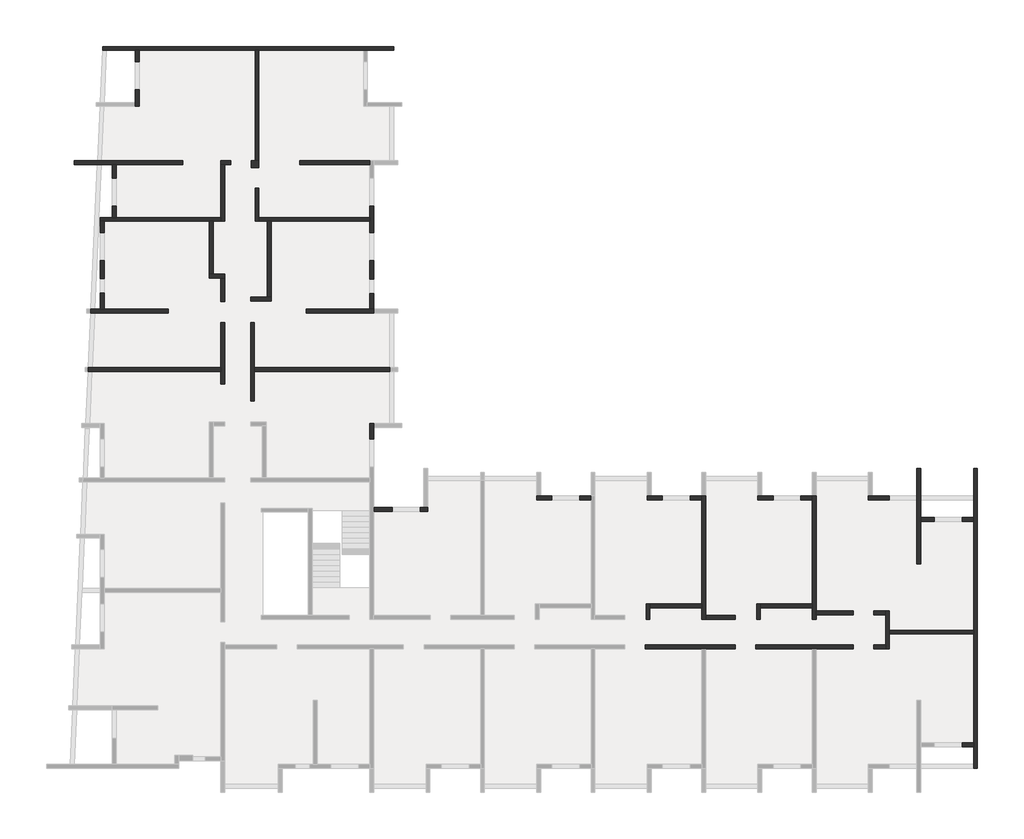
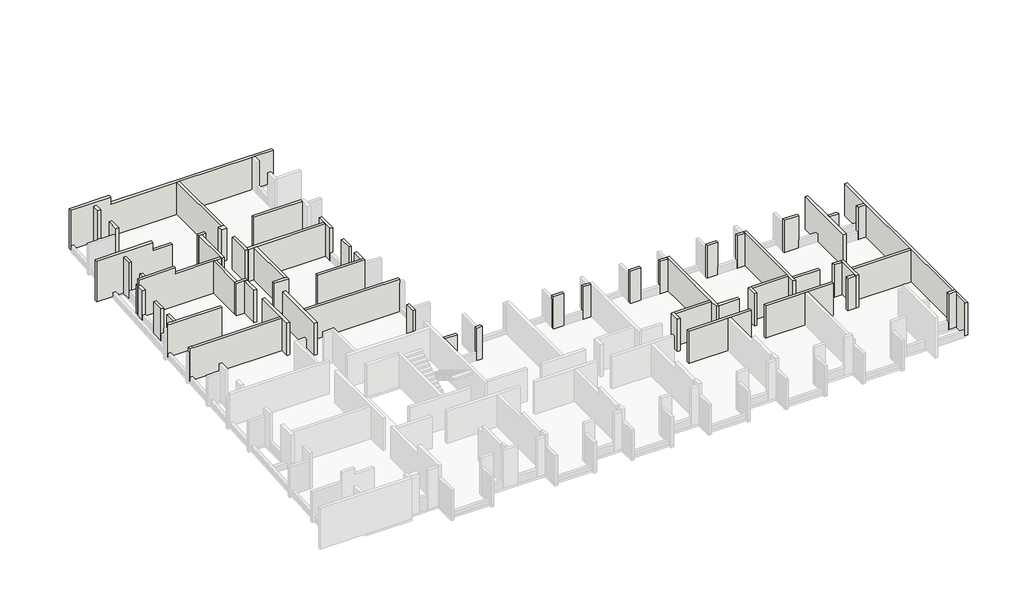
# One storey, part 2 of 4: 60 walls.
"""IFC4 building model written with IfcOpenShell, lengths in millimetres."""

from ifc_helpers import new_model, si_unit, frame, origin, place, context, project, spatial, polyline, outline, extrude, faceted_brep, element, save

model = new_model("IFC4")

# Units and contexts
model_context = context("Model", 3, world=origin())
ifc_project = project(units=[si_unit("LENGTHUNIT", "METRE", prefix="MILLI")], contexts=[model_context])

# Site, building, storey
site = spatial("IfcSite", under=ifc_project)
building = spatial("IfcBuilding", under=site)
storey = spatial("IfcBuildingStorey", under=building, Elevation=14820.0)

# Walls
placement = place(None, origin())
element("IfcWall", 1, ObjectType="MHA20", at=placement, inside=storey, context=model_context, shape_type="Brep", body=[
    faceted_brep([(-2535.6912908, -13279.0672499, 14820.0), (-2535.6912908, -12519.0672499, 14820.0), (-2535.6912908, -12319.0672499, 14820.0), (-2535.6912908, -11329.0672499, 14820.0), (-2535.6912908, -11329.0672499, 17350.0), (-2535.6912908, -12319.0672499, 17350.0), (-2535.6912908, -12519.0672499, 17350.0), (-2535.6912908, -13279.0672499, 17350.0), (-2735.6912908, -13279.0672499, 14820.0), (-2735.6912908, -13279.0672499, 17350.0), (-2735.6912908, -13079.0672499, 17350.0), (-2735.6912908, -11529.0672499, 17350.0), (-2735.6912908, -11329.0672499, 17350.0), (-2735.6912908, -11329.0672499, 14820.0), (-2735.6912908, -11529.0672499, 14820.0), (-2735.6912908, -13079.0672499, 14820.0)], [[[0, 1, 2, 3, 4, 5, 6, 7]], [[8, 9, 10, 11, 12, 13, 14, 15]], [[3, 2, 1, 0, 8, 15, 14, 13]], [[7, 6, 5, 4, 12, 11, 10, 9]], [[4, 3, 13, 12]], [[0, 7, 9, 8]]]),
])
element("IfcWall", 2, ObjectType="MHA20", at=placement, inside=storey, context=model_context, shape_type="SweptSolid", body=[
    extrude(outline(polyline([(1794.3087092, -12519.0672499), (-2535.6912908, -12519.0672499), (-2535.6912908, -12319.0672499), (1794.3087092, -12319.0672499), (1794.3087092, -12519.0672499)])), frame((0.0, 0.0, 14820.0), z_axis=(0.0, 0.0, 1.0), x_axis=(1.0, 0.0, 0.0)), (0.0, 0.0, 1.0), 2530.0),
])
element("IfcWall", 3, ObjectType="MHA20", at=placement, inside=storey, context=model_context, shape_type="Brep", body=[
    faceted_brep([(1994.3087092, -19419.0672499, 14820.0), (1994.3087092, -3999.0672499, 14820.0), (1994.3087092, -3999.0672499, 17350.0), (1994.3087092, -16419.0672499, 17350.0), (1994.3087092, -19319.0672499, 17350.0), (1994.3087092, -19419.0672499, 17350.0), (1794.3087092, -19419.0672499, 14820.0), (1794.3087092, -19419.0672499, 15140.0), (1794.3087092, -19419.0672499, 17200.0), (1794.3087092, -19419.0672499, 17350.0), (1794.3087092, -19319.0672499, 17350.0), (1794.3087092, -16419.0672499, 17350.0), (1794.3087092, -12519.0672499, 17350.0), (1794.3087092, -12319.0672499, 17350.0), (1794.3087092, -6719.0672499, 17350.0), (1794.3087092, -6519.0672499, 17350.0), (1794.3087092, -3999.0672499, 17350.0), (1794.3087092, -3999.0672499, 14820.0), (1794.3087092, -6519.0672499, 14820.0), (1794.3087092, -6719.0672499, 14820.0), (1794.3087092, -12319.0672499, 14820.0), (1794.3087092, -12519.0672499, 14820.0), (1794.3087092, -18119.0672499, 14820.0), (1794.3087092, -18319.0672499, 14820.0)], [[[0, 1, 2, 3, 4, 5]], [[6, 7, 8, 9, 10, 11, 12, 13, 14, 15, 16, 17, 18, 19, 20, 21, 22, 23]], [[1, 0, 6, 23, 22, 21, 20, 19, 18, 17]], [[2, 1, 17, 16]], [[5, 4, 3, 2, 16, 15, 14, 13, 12, 11, 10, 9]], [[0, 5, 9, 8, 7, 6]]]),
])
element("IfcWall", 4, ObjectType="MHA20", at=placement, inside=storey, context=model_context, shape_type="SweptSolid", body=[
    extrude(outline(polyline([(-2735.6912908, -11529.0672499), (-3335.6912908, -11529.0672499), (-3335.6912908, -11329.0672499), (-2735.6912908, -11329.0672499), (-2735.6912908, -11529.0672499)])), frame((0.0, 0.0, 14820.0), z_axis=(0.0, 0.0, 1.0), x_axis=(1.0, 0.0, 0.0)), (0.0, 0.0, 1.0), 2530.0),
])
element("IfcWall", 5, ObjectType="MHA20", at=placement, inside=storey, context=model_context, shape_type="SweptSolid", body=[
    extrude(outline(polyline([(-2735.6912908, -13279.0672499), (-3335.6912908, -13279.0672499), (-3335.6912908, -13079.0672499), (-2735.6912908, -13079.0672499), (-2735.6912908, -13279.0672499)])), frame((0.0, 0.0, 14820.0), z_axis=(0.0, 0.0, 1.0), x_axis=(1.0, 0.0, 0.0)), (0.0, 0.0, 1.0), 2530.0),
])
element("IfcWall", 6, ObjectType="MHA20", at=placement, inside=storey, context=model_context, shape_type="SweptSolid", body=[
    extrude(outline(polyline([(-6305.6912908, -11329.0672499), (-4395.6912908, -11329.0672499), (-4395.6912908, -11529.0672499), (-6305.6912908, -11529.0672499), (-6305.6912908, -11329.0672499)])), frame((0.0, 0.0, 14820.0), z_axis=(0.0, 0.0, 1.0), x_axis=(1.0, 0.0, 0.0)), (0.0, 0.0, 1.0), 2530.0),
])
element("IfcWall", 7, ObjectType="MHA20", at=placement, inside=storey, context=model_context, shape_type="Brep", body=[
    faceted_brep([(-4395.6912908, -13079.0672499, 14820.0), (-9410.6912908, -13079.0672499, 14820.0), (-9410.6912908, -13079.0672499, 17350.0), (-4395.6912908, -13079.0672499, 17350.0), (-4395.6912908, -13279.0672499, 14820.0), (-4395.6912908, -13279.0672499, 17350.0), (-6305.6912908, -13279.0672499, 17350.0), (-6505.6912908, -13279.0672499, 17350.0), (-9410.6912908, -13279.0672499, 17350.0), (-9410.6912908, -13279.0672499, 14820.0), (-6505.6912908, -13279.0672499, 14820.0), (-6305.6912908, -13279.0672499, 14820.0)], [[[0, 1, 2, 3]], [[4, 5, 6, 7, 8, 9, 10, 11]], [[1, 0, 4, 11, 10, 9]], [[2, 1, 9, 8]], [[3, 2, 8, 7, 6, 5]], [[0, 3, 5, 4]]]),
])
element("IfcWall", 8, ObjectType="MHA20", at=placement, inside=storey, context=model_context, shape_type="Brep", body=[
    faceted_brep([(-6305.6912908, -11759.0672499, 14820.0), (-6305.6912908, -11529.0672499, 14820.0), (-6305.6912908, -11329.0672499, 14820.0), (-6305.6912908, -5419.0672499, 14820.0), (-6305.6912908, -5419.0672499, 17050.0), (-6305.6912908, -5419.0672499, 17350.0), (-6305.6912908, -11329.0672499, 17350.0), (-6305.6912908, -11529.0672499, 17350.0), (-6305.6912908, -11759.0672499, 17350.0), (-6505.6912908, -11759.0672499, 14820.0), (-6505.6912908, -11759.0672499, 17350.0), (-6505.6912908, -11159.0672499, 17350.0), (-6505.6912908, -10959.0672499, 17350.0), (-6505.6912908, -5619.0672499, 17350.0), (-6505.6912908, -5419.0672499, 17350.0), (-6505.6912908, -5419.0672499, 17050.0), (-6505.6912908, -5419.0672499, 14820.0), (-6505.6912908, -5619.0672499, 14820.0), (-6505.6912908, -10959.0672499, 14820.0), (-6505.6912908, -11159.0672499, 14820.0)], [[[0, 1, 2, 3, 4, 5, 6, 7, 8]], [[9, 10, 11, 12, 13, 14, 15, 16, 17, 18, 19]], [[3, 2, 1, 0, 9, 19, 18, 17, 16]], [[8, 7, 6, 5, 14, 13, 12, 11, 10]], [[0, 8, 10, 9]], [[5, 4, 3, 16, 15, 14]]]),
])
element("IfcWall", 9, ObjectType="MHA20", at=placement, inside=storey, context=model_context, shape_type="SweptSolid", body=[
    extrude(outline(polyline([(-18319.0672499, 14820.0), (-18319.0672499, 17603.2031323), (-18119.0672499, 17608.2031323), (-18119.0672499, 14820.0), (-18319.0672499, 14820.0)])), frame((1214.3087092, 0.0, 0.0), z_axis=(1.0, 0.0, 0.0), x_axis=(0.0, 1.0, 0.0)), (0.0, 0.0, 1.0), 580.0),
])
element("IfcWall", 10, ObjectType="MHA20", at=placement, inside=storey, context=model_context, shape_type="SweptSolid", body=[
    extrude(outline(polyline([(-225.6912908, -6719.0672499), (-925.6912908, -6719.0672499), (-925.6912908, -6519.0672499), (-225.6912908, -6519.0672499), (-225.6912908, -6719.0672499)])), frame((0.0, 0.0, 14820.0), z_axis=(0.0, 0.0, 1.0), x_axis=(1.0, 0.0, 0.0)), (0.0, 0.0, 1.0), 2530.0),
])
element("IfcWall", 11, ObjectType="MHA20", at=placement, inside=storey, context=model_context, shape_type="SweptSolid", body=[
    extrude(outline(polyline([(1794.3087092, -6719.0672499), (1214.3087092, -6719.0672499), (1214.3087092, -6519.0672499), (1794.3087092, -6519.0672499), (1794.3087092, -6719.0672499)])), frame((0.0, 0.0, 14820.0), z_axis=(0.0, 0.0, 1.0), x_axis=(1.0, 0.0, 0.0)), (0.0, 0.0, 1.0), 2530.0),
])
element("IfcWall", 12, ObjectType="MHA20", at=placement, inside=storey, context=model_context, shape_type="Brep", body=[
    faceted_brep([(-1125.6912908, -3999.0672499, 14820.0), (-1125.6912908, -5419.0672499, 14820.0), (-1125.6912908, -5619.0672499, 14820.0), (-1125.6912908, -8899.0672499, 14820.0), (-1125.6912908, -8899.0672499, 17350.0), (-1125.6912908, -3999.0672499, 17350.0), (-925.6912908, -3999.0672499, 14820.0), (-925.6912908, -3999.0672499, 17350.0), (-925.6912908, -6519.0672499, 17350.0), (-925.6912908, -6719.0672499, 17350.0), (-925.6912908, -8899.0672499, 17350.0), (-925.6912908, -8899.0672499, 14820.0), (-925.6912908, -6719.0672499, 14820.0), (-925.6912908, -6519.0672499, 14820.0)], [[[0, 1, 2, 3, 4, 5]], [[6, 7, 8, 9, 10, 11, 12, 13]], [[3, 2, 1, 0, 6, 13, 12, 11]], [[4, 3, 11, 10]], [[5, 4, 10, 9, 8, 7]], [[0, 5, 7, 6]]]),
])
element("IfcWall", 13, ObjectType="MHA20", at=placement, inside=storey, context=model_context, shape_type="Brep", body=[
    faceted_brep([(-3615.6912908, -5619.0672499, 14820.0), (-2545.6912908, -5619.0672499, 14820.0), (-2545.6912908, -5619.0672499, 15420.0), (-2545.6912908, -5619.0672499, 17350.0), (-3615.6912908, -5619.0672499, 17350.0), (-3615.6912908, -5419.0672499, 14820.0), (-3615.6912908, -5419.0672499, 17050.0), (-3615.6912908, -5419.0672499, 17350.0), (-2545.6912908, -5419.0672499, 17350.0), (-2545.6912908, -5419.0672499, 15420.0), (-2545.6912908, -5419.0672499, 14820.0), (-3415.6912908, -5419.0672499, 14820.0)], [[[0, 1, 2, 3, 4]], [[5, 6, 7, 8, 9, 10, 11]], [[1, 0, 5, 11, 10]], [[3, 2, 1, 10, 9, 8]], [[4, 3, 8, 7]], [[0, 4, 7, 6, 5]]]),
])
element("IfcWall", 14, ObjectType="MHA20", at=placement, inside=storey, context=model_context, shape_type="Brep", body=[
    faceted_brep([(-11995.6912908, -11759.0672499, 14820.0), (-11995.6912908, -11559.0672499, 14820.0), (-11995.6912908, -5419.0672499, 14820.0), (-11995.6912908, -5419.0672499, 17050.0), (-11995.6912908, -5419.0672499, 17350.0), (-11995.6912908, -11559.0672499, 17350.0), (-11995.6912908, -11759.0672499, 17350.0), (-12195.6912908, -11759.0672499, 14820.0), (-12195.6912908, -11759.0672499, 17350.0), (-12195.6912908, -11159.0672499, 17350.0), (-12195.6912908, -10959.0672499, 17350.0), (-12195.6912908, -5619.0672499, 17350.0), (-12195.6912908, -5419.0672499, 17350.0), (-12195.6912908, -5419.0672499, 17050.0), (-12195.6912908, -5419.0672499, 14820.0), (-12195.6912908, -5619.0672499, 14820.0), (-12195.6912908, -10959.0672499, 14820.0), (-12195.6912908, -11159.0672499, 14820.0)], [[[0, 1, 2, 3, 4, 5, 6]], [[7, 8, 9, 10, 11, 12, 13, 14, 15, 16, 17]], [[2, 1, 0, 7, 17, 16, 15, 14]], [[6, 5, 4, 12, 11, 10, 9, 8]], [[0, 6, 8, 7]], [[4, 3, 2, 14, 13, 12]]]),
])
element("IfcWall", 15, ObjectType="MHA20", at=placement, inside=storey, context=model_context, shape_type="Brep", body=[
    faceted_brep([(-9305.6912908, -5619.0672499, 14820.0), (-8525.6912908, -5619.0672499, 14820.0), (-8525.6912908, -5619.0672499, 15420.0), (-8525.6912908, -5619.0672499, 17350.0), (-9305.6912908, -5619.0672499, 17350.0), (-9305.6912908, -5419.0672499, 14820.0), (-9305.6912908, -5419.0672499, 17050.0), (-9305.6912908, -5419.0672499, 17350.0), (-8525.6912908, -5419.0672499, 17350.0), (-8525.6912908, -5419.0672499, 15420.0), (-8525.6912908, -5419.0672499, 14820.0), (-9105.6912908, -5419.0672499, 14820.0)], [[[0, 1, 2, 3, 4]], [[5, 6, 7, 8, 9, 10, 11]], [[1, 0, 5, 11, 10]], [[3, 2, 1, 10, 9, 8]], [[4, 3, 8, 7]], [[0, 4, 7, 6, 5]]]),
])
element("IfcWall", 16, ObjectType="MHA20", at=placement, inside=storey, context=model_context, shape_type="Brep", body=[
    faceted_brep([(-14995.6912908, -5619.0672499, 14820.0), (-14215.6912908, -5619.0672499, 14820.0), (-14215.6912908, -5619.0672499, 15420.0), (-14215.6912908, -5619.0672499, 17350.0), (-14995.6912908, -5619.0672499, 17350.0), (-14995.6912908, -5419.0672499, 14820.0), (-14995.6912908, -5419.0672499, 17050.0), (-14995.6912908, -5419.0672499, 17350.0), (-14215.6912908, -5419.0672499, 17350.0), (-14215.6912908, -5419.0672499, 15420.0), (-14215.6912908, -5419.0672499, 14820.0), (-14795.6912908, -5419.0672499, 14820.0)], [[[0, 1, 2, 3, 4]], [[5, 6, 7, 8, 9, 10, 11]], [[1, 0, 5, 11, 10]], [[3, 2, 1, 10, 9, 8]], [[4, 3, 8, 7]], [[0, 4, 7, 6, 5]]]),
])
element("IfcWall", 17, ObjectType="MHA20", at=placement, inside=storey, context=model_context, shape_type="Brep", body=[
    faceted_brep([(-12775.6912908, -5619.0672499, 14820.0), (-12195.6912908, -5619.0672499, 14820.0), (-12195.6912908, -5619.0672499, 17350.0), (-12775.6912908, -5619.0672499, 17350.0), (-12775.6912908, -5619.0672499, 15420.0), (-12775.6912908, -5419.0672499, 14820.0), (-12775.6912908, -5419.0672499, 15420.0), (-12775.6912908, -5419.0672499, 17350.0), (-12195.6912908, -5419.0672499, 17350.0), (-12195.6912908, -5419.0672499, 14820.0)], [[[0, 1, 2, 3, 4]], [[5, 6, 7, 8, 9]], [[1, 0, 5, 9]], [[3, 2, 8, 7]], [[0, 4, 3, 7, 6, 5]], [[2, 1, 9, 8]]]),
])
element("IfcWall", 18, ObjectType="MHA20", at=placement, inside=storey, context=model_context, shape_type="Brep", body=[
    faceted_brep([(-20685.6912908, -5619.0672499, 14820.0), (-19905.6912908, -5619.0672499, 14820.0), (-19905.6912908, -5619.0672499, 15420.0), (-19905.6912908, -5619.0672499, 17350.0), (-20685.6912908, -5619.0672499, 17350.0), (-20685.6912908, -5419.0672499, 14820.0), (-20685.6912908, -5419.0672499, 17050.0), (-20685.6912908, -5419.0672499, 17350.0), (-19905.6912908, -5419.0672499, 17350.0), (-19905.6912908, -5419.0672499, 15420.0), (-19905.6912908, -5419.0672499, 14820.0), (-20485.6912908, -5419.0672499, 14820.0)], [[[0, 1, 2, 3, 4]], [[5, 6, 7, 8, 9, 10, 11]], [[1, 0, 5, 11, 10]], [[3, 2, 1, 10, 9, 8]], [[4, 3, 8, 7]], [[0, 4, 7, 6, 5]]]),
])
element("IfcWall", 19, ObjectType="MHA20", at=placement, inside=storey, context=model_context, shape_type="Brep", body=[
    faceted_brep([(-18465.6912908, -5619.0672499, 14820.0), (-17885.6912908, -5619.0672499, 14820.0), (-17885.6912908, -5619.0672499, 17350.0), (-18465.6912908, -5619.0672499, 17350.0), (-18465.6912908, -5619.0672499, 15420.0), (-18465.6912908, -5419.0672499, 14820.0), (-18465.6912908, -5419.0672499, 15420.0), (-18465.6912908, -5419.0672499, 17350.0), (-17885.6912908, -5419.0672499, 17350.0), (-17885.6912908, -5419.0672499, 14820.0)], [[[0, 1, 2, 3, 4]], [[5, 6, 7, 8, 9]], [[1, 0, 5, 9]], [[3, 2, 8, 7]], [[0, 4, 3, 7, 6, 5]], [[2, 1, 9, 8]]]),
])
element("IfcWall", 20, ObjectType="MHA20", at=placement, inside=storey, context=model_context, shape_type="Brep", body=[
    faceted_brep([(-10470.6912908, -13079.0672499, 14820.0), (-15100.6912908, -13079.0672499, 14820.0), (-15100.6912908, -13079.0672499, 17350.0), (-10470.6912908, -13079.0672499, 17350.0), (-10470.6912908, -13279.0672499, 14820.0), (-10470.6912908, -13279.0672499, 17350.0), (-11995.6912908, -13279.0672499, 17350.0), (-12195.6912908, -13279.0672499, 17350.0), (-15100.6912908, -13279.0672499, 17350.0), (-15100.6912908, -13279.0672499, 14820.0), (-12195.6912908, -13279.0672499, 14820.0), (-11995.6912908, -13279.0672499, 14820.0)], [[[0, 1, 2, 3]], [[4, 5, 6, 7, 8, 9, 10, 11]], [[1, 0, 4, 11, 10, 9]], [[2, 1, 9, 8]], [[3, 2, 8, 7, 6, 5]], [[0, 3, 5, 4]]]),
])
element("IfcWall", 21, ObjectType="MHA20", at=placement, inside=storey, context=model_context, shape_type="SweptSolid", body=[
    extrude(outline(polyline([(-11995.6912908, -11559.0672499), (-10470.6912908, -11559.0672499), (-10470.6912908, -11759.0672499), (-11995.6912908, -11759.0672499), (-11995.6912908, -11559.0672499)])), frame((0.0, 0.0, 14820.0), z_axis=(0.0, 0.0, 1.0), x_axis=(1.0, 0.0, 0.0)), (0.0, 0.0, 1.0), 2530.0),
])
element("IfcWall", 22, ObjectType="MHA20", at=placement, inside=storey, context=model_context, shape_type="Brep", body=[
    faceted_brep([(-9170.6912908, -11759.0672499, 14820.0), (-9170.6912908, -11159.0672499, 14820.0), (-9170.6912908, -10959.0672499, 14820.0), (-9170.6912908, -10959.0672499, 17350.0), (-9170.6912908, -11159.0672499, 17350.0), (-9170.6912908, -11759.0672499, 17350.0), (-9370.6912908, -11759.0672499, 14820.0), (-9370.6912908, -11759.0672499, 17350.0), (-9370.6912908, -10959.0672499, 17350.0), (-9370.6912908, -10959.0672499, 14820.0)], [[[0, 1, 2, 3, 4, 5]], [[6, 7, 8, 9]], [[2, 1, 0, 6, 9]], [[5, 4, 3, 8, 7]], [[0, 5, 7, 6]], [[3, 2, 9, 8]]]),
])
element("IfcWall", 23, ObjectType="MHA20", at=placement, inside=storey, context=model_context, shape_type="SweptSolid", body=[
    extrude(outline(polyline([(-6505.6912908, -11159.0672499), (-9170.6912908, -11159.0672499), (-9170.6912908, -10959.0672499), (-6505.6912908, -10959.0672499), (-6505.6912908, -11159.0672499)])), frame((0.0, 0.0, 14820.0), z_axis=(0.0, 0.0, 1.0), x_axis=(1.0, 0.0, 0.0)), (0.0, 0.0, 1.0), 2530.0),
])
element("IfcWall", 24, ObjectType="MHA20", at=placement, inside=storey, context=model_context, shape_type="Brep", body=[
    faceted_brep([(-14860.6912908, -11759.0672499, 14820.0), (-14860.6912908, -11159.0672499, 14820.0), (-14860.6912908, -10959.0672499, 14820.0), (-14860.6912908, -10959.0672499, 17350.0), (-14860.6912908, -11159.0672499, 17350.0), (-14860.6912908, -11759.0672499, 17350.0), (-15060.6912908, -11759.0672499, 14820.0), (-15060.6912908, -11759.0672499, 17350.0), (-15060.6912908, -10959.0672499, 17350.0), (-15060.6912908, -10959.0672499, 14820.0)], [[[0, 1, 2, 3, 4, 5]], [[6, 7, 8, 9]], [[2, 1, 0, 6, 9]], [[5, 4, 3, 8, 7]], [[0, 5, 7, 6]], [[3, 2, 9, 8]]]),
])
element("IfcWall", 25, ObjectType="MHA20", at=placement, inside=storey, context=model_context, shape_type="SweptSolid", body=[
    extrude(outline(polyline([(-12195.6912908, -11159.0672499), (-14860.6912908, -11159.0672499), (-14860.6912908, -10959.0672499), (-12195.6912908, -10959.0672499), (-12195.6912908, -11159.0672499)])), frame((0.0, 0.0, 14820.0), z_axis=(0.0, 0.0, 1.0), x_axis=(1.0, 0.0, 0.0)), (0.0, 0.0, 1.0), 2530.0),
])
element("IfcWall", 26, ObjectType="MHA20", at=placement, inside=storey, context=model_context, shape_type="Brep", body=[
    faceted_brep([(-26675.6912908, -6204.0672499, 14820.0), (-26295.6912908, -6204.0672499, 14820.0), (-26295.6912908, -6204.0672499, 17350.0), (-26675.6912908, -6204.0672499, 17350.0), (-26675.6912908, -6204.0672499, 15420.0), (-26675.6912908, -6004.0672499, 14820.0), (-26675.6912908, -6004.0672499, 15420.0), (-26675.6912908, -6004.0672499, 17350.0), (-26295.6912908, -6004.0672499, 17350.0), (-26295.6912908, -6004.0672499, 17050.0), (-26295.6912908, -6004.0672499, 14820.0), (-26495.6912908, -6004.0672499, 14820.0)], [[[0, 1, 2, 3, 4]], [[5, 6, 7, 8, 9, 10, 11]], [[1, 0, 5, 11, 10]], [[2, 1, 10, 9, 8]], [[3, 2, 8, 7]], [[0, 4, 3, 7, 6, 5]]]),
])
element("IfcWall", 27, ObjectType="MHA20", at=placement, inside=storey, context=model_context, shape_type="Brep", body=[
    faceted_brep([(-28115.6912908, -6004.0672499, 14820.0), (-29065.6912908, -6004.0672499, 14820.0), (-29065.6912908, -6004.0672499, 17350.0), (-28115.6912908, -6004.0672499, 17350.0), (-28115.6912908, -6004.0672499, 15420.0), (-28115.6912908, -6204.0672499, 14820.0), (-28115.6912908, -6204.0672499, 15420.0), (-28115.6912908, -6204.0672499, 17350.0), (-29065.6912908, -6204.0672499, 17350.0), (-29065.6912908, -6204.0672499, 14820.0)], [[[0, 1, 2, 3, 4]], [[5, 6, 7, 8, 9]], [[1, 0, 5, 9]], [[3, 2, 8, 7]], [[0, 4, 3, 7, 6, 5]], [[2, 1, 9, 8]]]),
])
element("IfcWall", 28, ObjectType="MHA20", at=placement, inside=storey, context=model_context, shape_type="Brep", body=[
    faceted_brep([(-35205.6912908, -509.0672499, 14820.0), (-35205.6912908, 1000.9327501, 14820.0), (-35205.6912908, 1200.9327501, 14820.0), (-35205.6912908, 3530.9327501, 14820.0), (-35205.6912908, 3530.9327501, 17350.0), (-35205.6912908, 1200.9327501, 17350.0), (-35205.6912908, 1000.9327501, 17350.0), (-35205.6912908, -509.0672499, 17350.0), (-35405.6912908, -509.0672499, 14820.0), (-35405.6912908, -509.0672499, 17350.0), (-35405.6912908, 3530.9327501, 17350.0), (-35405.6912908, 3530.9327501, 14820.0)], [[[0, 1, 2, 3, 4, 5, 6, 7]], [[8, 9, 10, 11]], [[3, 2, 1, 0, 8, 11]], [[4, 3, 11, 10]], [[7, 6, 5, 4, 10, 9]], [[0, 7, 9, 8]]]),
])
element("IfcWall", 29, ObjectType="MHA20", at=placement, inside=storey, context=model_context, shape_type="Brep", body=[
    faceted_brep([(-36935.6912908, 1000.9327501, 17350.0), (-43510.3459514, 1000.9327501, 17350.0), (-43571.6196137, 1000.9327501, 17350.0), (-43771.8253055, 1000.9327501, 17350.0), (-43771.8253055, 1000.9327501, 17300.0), (-43771.8253055, 1000.9327501, 17050.0), (-43771.8253055, 1000.9327501, 15120.0), (-43771.8253055, 1000.9327501, 14820.0), (-43571.6196137, 1000.9327501, 14820.0), (-36935.6912908, 1000.9327501, 14820.0), (-43510.3459514, 1200.9327501, 17350.0), (-36935.6912908, 1200.9327501, 17350.0), (-36935.6912908, 1200.9327501, 14820.0), (-43562.5466312, 1200.9327501, 14820.0), (-43762.752323, 1200.9327501, 14820.0), (-43762.752323, 1200.9327501, 15120.0), (-43762.752323, 1200.9327501, 17050.0), (-43762.752323, 1200.9327501, 17300.0), (-43762.752323, 1200.9327501, 17350.0), (-43562.5466312, 1200.9327501, 17350.0)], [[[0, 1, 2, 3, 4, 5, 6, 7, 8, 9]], [[10, 11, 12, 13, 14, 15, 16, 17, 18, 19]], [[0, 9, 12, 11]], [[12, 9, 8, 7, 14, 13]], [[1, 0, 11, 10]], [[1, 10, 19, 18, 3, 2]], [[7, 6, 5, 4, 3, 18, 17, 16, 15, 14]]]),
])
element("IfcWall", 30, ObjectType="MHA20", at=placement, inside=storey, context=model_context, shape_type="Brep", body=[
    faceted_brep([(-35205.6912908, 1000.9327501, 14820.0), (-28235.6912908, 1000.9327501, 14820.0), (-28235.6912908, 1000.9327501, 17050.0), (-28235.6912908, 1000.9327501, 17350.0), (-35205.6912908, 1000.9327501, 17350.0), (-35205.6912908, 1200.9327501, 14820.0), (-35205.6912908, 1200.9327501, 17350.0), (-28235.6912908, 1200.9327501, 17350.0), (-28235.6912908, 1200.9327501, 17050.0), (-28235.6912908, 1200.9327501, 14820.0)], [[[0, 1, 2, 3, 4]], [[5, 6, 7, 8, 9]], [[1, 0, 5, 9]], [[3, 2, 1, 9, 8, 7]], [[4, 3, 7, 6]], [[0, 4, 6, 5]]]),
])
element("IfcWall", 31, ObjectType="MHA20", at=placement, inside=storey, context=model_context, shape_type="Brep", body=[
    faceted_brep([(-29065.6912908, -2469.0672499, 14820.0), (-29065.6912908, -1889.5482142, 14820.0), (-29065.6912908, -1689.5482142, 14820.0), (-29065.6912908, -1689.5482142, 17050.0), (-29065.6912908, -1689.5482142, 17350.0), (-29065.6912908, -2469.0672499, 17350.0), (-29065.6912908, -2469.0672499, 15420.0), (-29265.6912908, -2469.0672499, 14820.0), (-29265.6912908, -2469.0672499, 15420.0), (-29265.6912908, -2469.0672499, 17350.0), (-29265.6912908, -1689.5482142, 17350.0), (-29265.6912908, -1689.5482142, 14820.0)], [[[0, 1, 2, 3, 4, 5, 6]], [[7, 8, 9, 10, 11]], [[2, 1, 0, 7, 11]], [[4, 3, 2, 11, 10]], [[5, 4, 10, 9]], [[0, 6, 5, 9, 8, 7]]]),
])
element("IfcWall", 32, ObjectType="MHA20", at=placement, inside=storey, context=model_context, shape_type="Brep", body=[
    faceted_brep([(-35405.6912908, 4620.9327501, 14820.0), (-34355.6912908, 4620.9327501, 14820.0), (-34355.6912908, 4620.9327501, 17350.0), (-35405.6912908, 4620.9327501, 17350.0), (-35405.6912908, 4820.9327501, 14820.0), (-35405.6912908, 4820.9327501, 17350.0), (-34555.6912908, 4820.9327501, 17350.0), (-34355.6912908, 4820.9327501, 17350.0), (-34355.6912908, 4820.9327501, 14820.0), (-34555.6912908, 4820.9327501, 14820.0)], [[[0, 1, 2, 3]], [[4, 5, 6, 7, 8, 9]], [[1, 0, 4, 9, 8]], [[3, 2, 7, 6, 5]], [[0, 3, 5, 4]], [[2, 1, 8, 7]]]),
])
element("IfcWall", 33, ObjectType="MHA20", at=placement, inside=storey, context=model_context, shape_type="SweptSolid", body=[
    extrude(outline(polyline([(-34355.6912908, 8730.9327501), (-34355.6912908, 4820.9327501), (-34555.6912908, 4820.9327501), (-34555.6912908, 8730.9327501), (-34355.6912908, 8730.9327501)])), frame((0.0, 0.0, 14820.0), z_axis=(0.0, 0.0, 1.0), x_axis=(1.0, 0.0, 0.0)), (0.0, 0.0, 1.0), 2530.0),
])
element("IfcWall", 34, ObjectType="MHA20", at=placement, inside=storey, context=model_context, shape_type="Brep", body=[
    faceted_brep([(-29065.6912908, 4200.9327501, 14820.0), (-29065.6912908, 5020.9327501, 14820.0), (-29065.6912908, 5020.9327501, 15420.0), (-29065.6912908, 5020.9327501, 17350.0), (-29065.6912908, 4200.9327501, 17350.0), (-29265.6912908, 4200.9327501, 14820.0), (-29265.6912908, 4200.9327501, 17350.0), (-29265.6912908, 5020.9327501, 17350.0), (-29265.6912908, 5020.9327501, 15420.0), (-29265.6912908, 5020.9327501, 14820.0)], [[[0, 1, 2, 3, 4]], [[5, 6, 7, 8, 9]], [[1, 0, 5, 9]], [[3, 2, 1, 9, 8, 7]], [[4, 3, 7, 6]], [[0, 4, 6, 5]]]),
])
element("IfcWall", 35, ObjectType="MHA20", at=placement, inside=storey, context=model_context, shape_type="Brep", body=[
    faceted_brep([(-29065.6912908, 5760.9327501, 14820.0), (-29065.6912908, 6710.9327501, 14820.0), (-29065.6912908, 6710.9327501, 15420.0), (-29065.6912908, 6710.9327501, 17350.0), (-29065.6912908, 5760.9327501, 17350.0), (-29065.6912908, 5760.9327501, 15420.0), (-29265.6912908, 5760.9327501, 14820.0), (-29265.6912908, 5760.9327501, 15420.0), (-29265.6912908, 5760.9327501, 17350.0), (-29265.6912908, 6710.9327501, 17350.0), (-29265.6912908, 6710.9327501, 15420.0), (-29265.6912908, 6710.9327501, 14820.0)], [[[0, 1, 2, 3, 4, 5]], [[6, 7, 8, 9, 10, 11]], [[1, 0, 6, 11]], [[3, 2, 1, 11, 10, 9]], [[4, 3, 9, 8]], [[0, 5, 4, 8, 7, 6]]]),
])
element("IfcWall", 36, ObjectType="MHA20", at=placement, inside=storey, context=model_context, shape_type="Brep", body=[
    faceted_brep([(-29065.6912908, 8150.9327501, 14820.0), (-29065.6912908, 9510.9327501, 14820.0), (-29065.6912908, 9510.9327501, 17350.0), (-29065.6912908, 8150.9327501, 17350.0), (-29065.6912908, 8150.9327501, 15420.0), (-29265.6912908, 8150.9327501, 14820.0), (-29265.6912908, 8150.9327501, 15420.0), (-29265.6912908, 8150.9327501, 17350.0), (-29265.6912908, 8730.9327501, 17350.0), (-29265.6912908, 8930.9327501, 17350.0), (-29265.6912908, 9510.9327501, 17350.0), (-29265.6912908, 9510.9327501, 14820.0), (-29265.6912908, 8930.9327501, 14820.0), (-29265.6912908, 8730.9327501, 14820.0)], [[[0, 1, 2, 3, 4]], [[5, 6, 7, 8, 9, 10, 11, 12, 13]], [[1, 0, 5, 13, 12, 11]], [[2, 1, 11, 10]], [[3, 2, 10, 9, 8, 7]], [[0, 4, 3, 7, 6, 5]]]),
])
element("IfcWall", 37, ObjectType="MHA20", at=placement, inside=storey, context=model_context, shape_type="SweptSolid", body=[
    extrude(outline(polyline([(-35175.6912908, 11850.9327501), (-35175.6912908, 17530.9327501), (-34975.6912908, 17530.9327501), (-34975.6912908, 11850.9327501), (-35175.6912908, 11850.9327501)])), frame((0.0, 0.0, 14820.0), z_axis=(0.0, 0.0, 1.0), x_axis=(1.0, 0.0, 0.0)), (0.0, 0.0, 1.0), 2530.0),
])
element("IfcWall", 38, ObjectType="MHA20", at=placement, inside=storey, context=model_context, shape_type="Brep", body=[
    faceted_brep([(-35175.6912908, 10430.9327501, 14820.0), (-35175.6912908, 8730.9327501, 14820.0), (-35175.6912908, 8730.9327501, 17350.0), (-35175.6912908, 10430.9327501, 17350.0), (-34975.6912908, 10430.9327501, 14820.0), (-34975.6912908, 10430.9327501, 17350.0), (-34975.6912908, 8930.9327501, 17350.0), (-34975.6912908, 8730.9327501, 17350.0), (-34975.6912908, 8730.9327501, 14820.0), (-34975.6912908, 8930.9327501, 14820.0)], [[[0, 1, 2, 3]], [[4, 5, 6, 7, 8, 9]], [[1, 0, 4, 9, 8]], [[3, 2, 7, 6, 5]], [[0, 3, 5, 4]], [[2, 1, 8, 7]]]),
])
element("IfcWall", 39, ObjectType="MHA20", at=placement, inside=storey, context=model_context, shape_type="Brep", body=[
    faceted_brep([(-36735.6912908, 360.9327501, 14820.0), (-36735.6912908, 3530.9327501, 14820.0), (-36735.6912908, 3530.9327501, 17350.0), (-36735.6912908, 360.9327501, 17350.0), (-36935.6912908, 360.9327501, 14820.0), (-36935.6912908, 360.9327501, 17350.0), (-36935.6912908, 1000.9327501, 17350.0), (-36935.6912908, 1200.9327501, 17350.0), (-36935.6912908, 3530.9327501, 17350.0), (-36935.6912908, 3530.9327501, 14820.0), (-36935.6912908, 1200.9327501, 14820.0), (-36935.6912908, 1000.9327501, 14820.0)], [[[0, 1, 2, 3]], [[4, 5, 6, 7, 8, 9, 10, 11]], [[1, 0, 4, 11, 10, 9]], [[2, 1, 9, 8]], [[3, 2, 8, 7, 6, 5]], [[0, 3, 5, 4]]]),
])
element("IfcWall", 40, ObjectType="MHA20", at=placement, inside=storey, context=model_context, shape_type="Brep", body=[
    faceted_brep([(-41135.6912908, 14650.9327501, 14820.0), (-41135.6912908, 15510.9327501, 14820.0), (-41135.6912908, 15510.9327501, 15420.0), (-41135.6912908, 15510.9327501, 17631.487144), (-41135.6912908, 14650.9327501, 17632.2666188), (-41335.6912908, 14650.9327501, 14820.0), (-41335.6912908, 14650.9327501, 17628.2707284), (-41335.6912908, 15510.9327501, 17627.4912536), (-41335.6912908, 15510.9327501, 15420.0), (-41335.6912908, 15510.9327501, 14820.0)], [[[0, 1, 2, 3, 4]], [[5, 6, 7, 8, 9]], [[1, 0, 5, 9]], [[3, 2, 1, 9, 8, 7]], [[0, 4, 6, 5]], [[4, 3, 7, 6]]]),
])
element("IfcWall", 41, ObjectType="MHA20", at=placement, inside=storey, context=model_context, shape_type="Brep", body=[
    faceted_brep([(-41135.6912908, 16950.9327501, 14820.0), (-41135.6912908, 17530.9327501, 14820.0), (-41135.6912908, 17530.9327501, 17629.6562845), (-41135.6912908, 16950.9327501, 17630.1819768), (-41135.6912908, 16950.9327501, 15420.0), (-41335.6912908, 16950.9327501, 14820.0), (-41335.6912908, 16950.9327501, 15420.0), (-41335.6912908, 16950.9327501, 17626.1860864), (-41335.6912908, 17530.9327501, 17625.6603941), (-41335.6912908, 17530.9327501, 14820.0)], [[[0, 1, 2, 3, 4]], [[5, 6, 7, 8, 9]], [[1, 0, 5, 9]], [[0, 4, 3, 7, 6, 5]], [[2, 1, 9, 8]], [[3, 2, 8, 7]]]),
])
element("IfcWall", 42, ObjectType="MHA20", at=placement, inside=storey, context=model_context, shape_type="Brep", body=[
    faceted_brep([(-36735.6912908, 8730.9327501, 14820.0), (-36735.6912908, 11650.9327501, 14820.0), (-36735.6912908, 11650.9327501, 17350.0), (-36735.6912908, 8730.9327501, 17350.0), (-36935.6912908, 8730.9327501, 14820.0), (-36935.6912908, 8730.9327501, 17350.0), (-36935.6912908, 8930.9327501, 17350.0), (-36935.6912908, 11650.9327501, 17350.0), (-36935.6912908, 11650.9327501, 14820.0), (-36935.6912908, 8930.9327501, 14820.0)], [[[0, 1, 2, 3]], [[4, 5, 6, 7, 8, 9]], [[1, 0, 4, 9, 8]], [[3, 2, 7, 6, 5]], [[0, 3, 5, 4]], [[2, 1, 8, 7]]]),
])
element("IfcWall", 43, ObjectType="MHA20", at=placement, inside=storey, context=model_context, shape_type="Brep", body=[
    faceted_brep([(-36935.6912908, 8930.9327501, 14820.0), (-42325.6912908, 8930.9327501, 14820.0), (-42525.6912908, 8930.9327501, 14820.0), (-43135.6912908, 8930.9327501, 14820.0), (-43135.6912908, 8930.9327501, 15120.0), (-43135.6912908, 8930.9327501, 17350.0), (-43025.5010933, 8930.9327501, 17350.0), (-43025.5010933, 8930.9327501, 17749.8143023), (-40459.0475976, 8930.9327501, 17801.0906366), (-40372.8822336, 8930.9327501, 17802.8121734), (-40372.8822336, 8930.9327501, 17350.0), (-36935.6912908, 8930.9327501, 17350.0), (-36935.6912908, 8730.9327501, 14820.0), (-36935.6912908, 8730.9327501, 17350.0), (-37335.6912908, 8730.9327501, 17350.0), (-37535.6912908, 8730.9327501, 17350.0), (-40372.8822336, 8730.9327501, 17350.0), (-40372.8822336, 8730.9327501, 17802.8121734), (-40468.12058, 8730.9327501, 17800.9093634), (-43025.5010933, 8730.9327501, 17749.8143023), (-43025.5010933, 8730.9327501, 17350.0), (-43135.6912908, 8730.9327501, 17350.0), (-43135.6912908, 8730.9327501, 15120.0), (-43135.6912908, 8730.9327501, 14820.0), (-42935.6912908, 8730.9327501, 14820.0), (-37535.6912908, 8730.9327501, 14820.0), (-37335.6912908, 8730.9327501, 14820.0)], [[[0, 1, 2, 3, 4, 5, 6, 7, 8, 9, 10, 11]], [[12, 13, 14, 15, 16, 17, 18, 19, 20, 21, 22, 23, 24, 25, 26]], [[0, 11, 13, 12]], [[5, 4, 3, 23, 22, 21]], [[3, 2, 1, 0, 12, 26, 25, 24, 23]], [[6, 5, 21, 20]], [[7, 6, 20, 19]], [[9, 8, 7, 19, 18, 17]], [[10, 9, 17, 16]], [[11, 10, 16, 15, 14, 13]]]),
])
element("IfcWall", 44, ObjectType="MHA20", at=placement, inside=storey, context=model_context, shape_type="SweptSolid", body=[
    extrude(outline(polyline([(-37535.6912908, 6010.9327501), (-37535.6912908, 8730.9327501), (-37335.6912908, 8730.9327501), (-37335.6912908, 6010.9327501), (-37535.6912908, 6010.9327501)])), frame((0.0, 0.0, 14820.0), z_axis=(0.0, 0.0, 1.0), x_axis=(1.0, 0.0, 0.0)), (0.0, 0.0, 1.0), 2530.0),
])
element("IfcWall", 45, ObjectType="MHA20", at=placement, inside=storey, context=model_context, shape_type="Brep", body=[
    faceted_brep([(-37535.6912908, 5810.9327501, 14820.0), (-36935.6912908, 5810.9327501, 14820.0), (-36735.6912908, 5810.9327501, 14820.0), (-36735.6912908, 5810.9327501, 17350.0), (-36935.6912908, 5810.9327501, 17350.0), (-37535.6912908, 5810.9327501, 17350.0), (-37535.6912908, 6010.9327501, 14820.0), (-37535.6912908, 6010.9327501, 17350.0), (-37335.6912908, 6010.9327501, 17350.0), (-36735.6912908, 6010.9327501, 17350.0), (-36735.6912908, 6010.9327501, 14820.0), (-37335.6912908, 6010.9327501, 14820.0)], [[[0, 1, 2, 3, 4, 5]], [[6, 7, 8, 9, 10, 11]], [[2, 1, 0, 6, 11, 10]], [[5, 4, 3, 9, 8, 7]], [[0, 5, 7, 6]], [[3, 2, 10, 9]]]),
])
element("IfcWall", 46, ObjectType="MHA20", at=placement, inside=storey, context=model_context, shape_type="Brep", body=[
    faceted_brep([(-39655.6912908, 4200.9327501, 17350.0), (-39655.6912908, 4200.9327501, 14820.0), (-42935.6912908, 4200.9327501, 14820.0), (-43135.6912908, 4200.9327501, 14820.0), (-43426.4518943, 4200.9327501, 14820.0), (-43626.6575861, 4200.9327501, 14820.0), (-43626.6575861, 4200.9327501, 15120.0), (-43626.6575861, 4200.9327501, 17300.0), (-43626.6575861, 4200.9327501, 17350.0), (-43426.4518943, 4200.9327501, 17350.0), (-43226.2462026, 4200.9327501, 17350.0), (-43135.6912908, 4200.9327501, 17350.0), (-42935.6912908, 4200.9327501, 17350.0), (-39655.6912908, 4000.9327501, 14820.0), (-39655.6912908, 4000.9327501, 17350.0), (-43035.1134933, 4000.9327501, 17350.0), (-43235.3191851, 4000.9327501, 17350.0), (-43435.5248768, 4000.9327501, 17350.0), (-43635.7305686, 4000.9327501, 17350.0), (-43635.7305686, 4000.9327501, 17300.0), (-43635.7305686, 4000.9327501, 17050.0), (-43635.7305686, 4000.9327501, 15120.0), (-43635.7305686, 4000.9327501, 14820.0), (-43631.1940773, 4000.9327501, 14820.0), (-43435.5248768, 4000.9327501, 14820.0), (-43631.1940773, 4100.9327501, 14820.0)], [[[0, 1, 2, 3, 4, 5, 6, 7, 8, 9, 10, 11, 12]], [[13, 14, 15, 16, 17, 18, 19, 20, 21, 22, 23, 24]], [[1, 13, 24, 23, 22, 25, 5, 4, 3, 2]], [[14, 0, 12, 11, 10, 9, 8, 18, 17, 16, 15]], [[1, 0, 14, 13]], [[8, 7, 6, 5, 25, 22, 21, 20, 19, 18]]]),
])
element("IfcWall", 47, ObjectType="MHA20", at=placement, inside=storey, context=model_context, shape_type="SweptSolid", body=[
    extrude(outline(polyline([(-36935.6912908, 4590.9327501), (-36935.6912908, 5810.9327501), (-36735.6912908, 5810.9327501), (-36735.6912908, 4590.9327501), (-36935.6912908, 4590.9327501)])), frame((0.0, 0.0, 14820.0), z_axis=(0.0, 0.0, 1.0), x_axis=(1.0, 0.0, 0.0)), (0.0, 0.0, 1.0), 2530.0),
])
element("IfcWall", 48, ObjectType="MHA20", at=placement, inside=storey, context=model_context, shape_type="Brep", body=[
    faceted_brep([(-42325.6912908, 8930.9327501, 14820.0), (-42325.6912908, 9510.9327501, 14820.0), (-42325.6912908, 9510.9327501, 15420.0), (-42325.6912908, 9510.9327501, 17606.8642284), (-42325.6912908, 8930.9327501, 17606.8642284), (-42525.6912908, 8930.9327501, 14820.0), (-42525.6912908, 8930.9327501, 17606.8642284), (-42525.6912908, 9510.9327501, 17606.8642284), (-42525.6912908, 9510.9327501, 15420.0), (-42525.6912908, 9510.9327501, 14820.0)], [[[0, 1, 2, 3, 4]], [[5, 6, 7, 8, 9]], [[1, 0, 5, 9]], [[3, 2, 1, 9, 8, 7]], [[4, 3, 7, 6]], [[0, 4, 6, 5]]]),
])
element("IfcWall", 49, ObjectType="MHA20", at=placement, inside=storey, context=model_context, shape_type="Brep", body=[
    faceted_brep([(-42935.6912908, 5770.9327501, 14820.0), (-42935.6912908, 6710.9327501, 14820.0), (-42935.6912908, 6710.9327501, 15420.0), (-42935.6912908, 6710.9327501, 17300.0), (-42935.6912908, 6710.9327501, 17350.0), (-42935.6912908, 6192.5429061, 17350.0), (-42935.6912908, 5770.9327501, 17350.0), (-42935.6912908, 5770.9327501, 15420.0), (-43135.6912908, 5770.9327501, 14820.0), (-43135.6912908, 5770.9327501, 15420.0), (-43135.6912908, 5770.9327501, 17300.0), (-43135.6912908, 5770.9327501, 17350.0), (-43135.6912908, 6197.0770657, 17350.0), (-43135.6912908, 6710.9327501, 17350.0), (-43135.6912908, 6710.9327501, 15420.0), (-43135.6912908, 6710.9327501, 14820.0), (-43112.3802727, 6710.9327501, 17350.0), (-42954.8175985, 5770.9327501, 17350.0)], [[[0, 1, 2, 3, 4, 5, 6, 7]], [[8, 9, 10, 11, 12, 13, 14, 15]], [[1, 0, 8, 15]], [[4, 3, 2, 1, 15, 14, 13, 16]], [[6, 5, 4, 16, 13, 12, 11, 17]], [[0, 7, 6, 17, 11, 10, 9, 8]]]),
])
element("IfcWall", 50, ObjectType="MHA20", at=placement, inside=storey, context=model_context, shape_type="Brep", body=[
    faceted_brep([(-42325.6912908, 10950.9327501, 14820.0), (-42325.6912908, 11650.9327501, 14820.0), (-42325.6912908, 11650.9327501, 17611.2101693), (-42325.6912908, 10950.9327501, 17611.8446255), (-42325.6912908, 10950.9327501, 15420.0), (-42525.6912908, 10950.9327501, 14820.0), (-42525.6912908, 10950.9327501, 15420.0), (-42525.6912908, 10950.9327501, 17607.8487351), (-42525.6912908, 11650.9327501, 17607.2142789), (-42525.6912908, 11650.9327501, 14820.0)], [[[0, 1, 2, 3, 4]], [[5, 6, 7, 8, 9]], [[1, 0, 5, 9]], [[0, 4, 3, 7, 6, 5]], [[2, 1, 9, 8]], [[3, 2, 8, 7]]]),
])
element("IfcWall", 51, ObjectType="MHA20", at=placement, inside=storey, context=model_context, shape_type="Brep", body=[
    faceted_brep([(-42935.6912908, 8150.9327501, 14820.0), (-42935.6912908, 8730.9327501, 14820.0), (-42935.6912908, 8730.9327501, 17300.0), (-42935.6912908, 8730.9327501, 17350.0), (-42935.6912908, 8150.9327501, 17350.0), (-42935.6912908, 8150.9327501, 17300.0), (-42935.6912908, 8150.9327501, 15420.0), (-43135.6912908, 8150.9327501, 14820.0), (-43135.6912908, 8150.9327501, 15420.0), (-43135.6912908, 8150.9327501, 17350.0), (-43135.6912908, 8730.9327501, 17350.0), (-43135.6912908, 8730.9327501, 14820.0), (-43020.7431499, 8730.9327501, 17350.0), (-43025.5010933, 8730.9327501, 17350.0), (-43047.054799, 8150.9327501, 17350.0)], [[[0, 1, 2, 3, 4, 5, 6]], [[7, 8, 9, 10, 11]], [[1, 0, 7, 11]], [[4, 3, 12, 13, 10, 9, 14]], [[0, 6, 5, 4, 14, 9, 8, 7]], [[3, 2, 1, 11, 10, 13, 12]]]),
])
element("IfcWall", 52, ObjectType="MHA20", at=placement, inside=storey, context=model_context, shape_type="Brep", body=[
    faceted_brep([(-43135.6912908, 5030.9327501, 14820.0), (-43135.6912908, 4200.9327501, 14820.0), (-43135.6912908, 4200.9327501, 17300.0), (-43135.6912908, 4200.9327501, 17350.0), (-43135.6912908, 5030.9327501, 17350.0), (-43135.6912908, 5030.9327501, 17300.0), (-43135.6912908, 5030.9327501, 15420.0), (-42935.6912908, 5030.9327501, 14820.0), (-42935.6912908, 5030.9327501, 15420.0), (-42935.6912908, 5030.9327501, 17350.0), (-42935.6912908, 4200.9327501, 17350.0), (-42935.6912908, 4200.9327501, 14820.0), (-42988.3876336, 5030.9327501, 17350.0)], [[[0, 1, 2, 3, 4, 5, 6]], [[7, 8, 9, 10, 11]], [[1, 0, 7, 11]], [[4, 3, 10, 9, 12]], [[0, 6, 5, 4, 12, 9, 8, 7]], [[3, 2, 1, 11, 10]]]),
])
element("IfcWall", 53, ObjectType="MHA20", at=placement, inside=storey, context=model_context, shape_type="Brep", body=[
    faceted_brep([(-7085.6912908, -5619.0672499, 14820.0), (-6505.6912908, -5619.0672499, 14820.0), (-6505.6912908, -5619.0672499, 17350.0), (-7085.6912908, -5619.0672499, 17350.0), (-7085.6912908, -5619.0672499, 15420.0), (-7085.6912908, -5419.0672499, 14820.0), (-7085.6912908, -5419.0672499, 15420.0), (-7085.6912908, -5419.0672499, 17350.0), (-6505.6912908, -5419.0672499, 17350.0), (-6505.6912908, -5419.0672499, 14820.0)], [[[0, 1, 2, 3, 4]], [[5, 6, 7, 8, 9]], [[1, 0, 5, 9]], [[3, 2, 8, 7]], [[0, 4, 3, 7, 6, 5]], [[2, 1, 9, 8]]]),
])
element("IfcWall", 54, ObjectType="MHA20", at=placement, inside=storey, context=model_context, shape_type="Brep", body=[
    faceted_brep([(-40326.5820536, 11850.9327501, 17350.0), (-38895.6912908, 11850.9327501, 17350.0), (-38895.6912908, 11850.9327501, 14820.0), (-43079.4103153, 11850.9327501, 14820.0), (-43279.616007, 11850.9327501, 14820.0), (-44480.8501575, 11850.9327501, 14820.0), (-44480.8501575, 11850.9327501, 18000.0), (-40326.5820536, 11850.9327501, 18000.0), (-38895.6912908, 11650.9327501, 17350.0), (-40335.6550361, 11650.9327501, 17350.0), (-40335.6550361, 11650.9327501, 18000.0), (-44489.92314, 11650.9327501, 18000.0), (-44489.92314, 11650.9327501, 14820.0), (-42525.6912908, 11650.9327501, 14820.0), (-42325.6912908, 11650.9327501, 14820.0), (-38895.6912908, 11650.9327501, 14820.0)], [[[0, 1, 2, 3, 4, 5, 6, 7]], [[8, 9, 10, 11, 12, 13, 14, 15]], [[2, 15, 14, 13, 12, 5, 4, 3]], [[1, 0, 9, 8]], [[2, 1, 8, 15]], [[10, 7, 6, 11]], [[0, 7, 10, 9]], [[6, 5, 12, 11]]]),
])
element("IfcWall", 55, ObjectType="MHA20", at=placement, inside=storey, context=model_context, shape_type="Brep", body=[
    faceted_brep([(-36435.6912908, 11850.9327501, 14820.0), (-36935.6912908, 11850.9327501, 14820.0), (-36935.6912908, 11850.9327501, 17350.0), (-36435.6912908, 11850.9327501, 17350.0), (-36435.6912908, 11650.9327501, 14820.0), (-36435.6912908, 11650.9327501, 17350.0), (-36735.6912908, 11650.9327501, 17350.0), (-36935.6912908, 11650.9327501, 17350.0), (-36935.6912908, 11650.9327501, 14820.0), (-36735.6912908, 11650.9327501, 14820.0)], [[[0, 1, 2, 3]], [[4, 5, 6, 7, 8, 9]], [[1, 0, 4, 9, 8]], [[3, 2, 7, 6, 5]], [[0, 3, 5, 4]], [[2, 1, 8, 7]]]),
])
element("IfcWall", 56, ObjectType="MHA20", at=placement, inside=storey, context=model_context, shape_type="Brep", body=[
    faceted_brep([(-28035.6912908, 17530.9327501, 14820.0), (-28035.6912908, 17530.9327501, 17350.0), (-29395.6912908, 17530.9327501, 17350.0), (-29595.6912908, 17530.9327501, 17350.0), (-34975.6912908, 17530.9327501, 17350.0), (-35175.6912908, 17530.9327501, 17350.0), (-40068.9093518, 17530.9327501, 17350.0), (-40068.9093518, 17530.9327501, 17900.0), (-43021.9433052, 17530.9327501, 17900.0), (-43021.9433052, 17530.9327501, 14820.0), (-41335.6912908, 17530.9327501, 14820.0), (-41135.6912908, 17530.9327501, 14820.0), (-35175.6912908, 17530.9327501, 14820.0), (-34975.6912908, 17530.9327501, 14820.0), (-29595.6912908, 17530.9327501, 14820.0), (-29395.6912908, 17530.9327501, 14820.0), (-28035.6912908, 17730.9327501, 17350.0), (-28035.6912908, 17730.9327501, 14820.0), (-43012.8703227, 17730.9327501, 14820.0), (-43012.8703227, 17730.9327501, 17900.0), (-40059.8363693, 17730.9327501, 17900.0), (-40059.8363693, 17730.9327501, 17350.0)], [[[0, 1, 2, 3, 4, 5, 6, 7, 8, 9, 10, 11, 12, 13, 14, 15]], [[16, 17, 18, 19, 20, 21]], [[9, 8, 19, 18]], [[17, 0, 15, 14, 13, 12, 11, 10, 9, 18]], [[1, 0, 17, 16]], [[6, 5, 4, 3, 2, 1, 16, 21]], [[7, 20, 19, 8]], [[7, 6, 21, 20]]]),
])
element("IfcWall", 57, ObjectType="MHA20", at=placement, inside=storey, context=model_context, shape_type="SweptSolid", body=[
    extrude(outline(polyline([(-29265.6912908, 11650.9327501), (-32865.6912908, 11650.9327501), (-32865.6912908, 11850.9327501), (-29265.6912908, 11850.9327501), (-29265.6912908, 11650.9327501)])), frame((0.0, 0.0, 14820.0), z_axis=(0.0, 0.0, 1.0), x_axis=(1.0, 0.0, 0.0)), (0.0, 0.0, 1.0), 2530.0),
])
element("IfcWall", 58, ObjectType="MHA20", at=placement, inside=storey, context=model_context, shape_type="Brep", body=[
    faceted_brep([(-34975.6912908, 8730.9327501, 14820.0), (-34555.6912908, 8730.9327501, 14820.0), (-34355.6912908, 8730.9327501, 14820.0), (-29265.6912908, 8730.9327501, 14820.0), (-29265.6912908, 8730.9327501, 17350.0), (-34355.6912908, 8730.9327501, 17350.0), (-34555.6912908, 8730.9327501, 17350.0), (-34975.6912908, 8730.9327501, 17350.0), (-34975.6912908, 8930.9327501, 14820.0), (-34975.6912908, 8930.9327501, 17350.0), (-29265.6912908, 8930.9327501, 17350.0), (-29265.6912908, 8930.9327501, 14820.0)], [[[0, 1, 2, 3, 4, 5, 6, 7]], [[8, 9, 10, 11]], [[3, 2, 1, 0, 8, 11]], [[7, 6, 5, 4, 10, 9]], [[0, 7, 9, 8]], [[4, 3, 11, 10]]]),
])
element("IfcWall", 59, ObjectType="MHA20", at=placement, inside=storey, context=model_context, shape_type="Brep", body=[
    faceted_brep([(-29065.6912908, 4200.9327501, 14820.0), (-29265.6912908, 4200.9327501, 14820.0), (-32545.6912908, 4200.9327501, 14820.0), (-32545.6912908, 4200.9327501, 17350.0), (-29265.6912908, 4200.9327501, 17350.0), (-29065.6912908, 4200.9327501, 17350.0), (-29065.6912908, 4200.9327501, 17050.0), (-29065.6912908, 4000.9327501, 14820.0), (-29065.6912908, 4000.9327501, 17050.0), (-29065.6912908, 4000.9327501, 17350.0), (-32545.6912908, 4000.9327501, 17350.0), (-32545.6912908, 4000.9327501, 14820.0)], [[[0, 1, 2, 3, 4, 5, 6]], [[7, 8, 9, 10, 11]], [[2, 1, 0, 7, 11]], [[3, 2, 11, 10]], [[5, 4, 3, 10, 9]], [[0, 6, 5, 9, 8, 7]]]),
])
element("IfcWall", 60, ObjectType="MHA35", at=placement, inside=storey, context=model_context, shape_type="SweptSolid", body=[
    extrude(outline(polyline([(-35365.6912908, 11850.9327501), (-34975.6912908, 11850.9327501), (-34975.6912908, 11500.9327501), (-35365.6912908, 11500.9327501), (-35365.6912908, 11850.9327501)])), frame((0.0, 0.0, 14820.0), z_axis=(0.0, 0.0, 1.0), x_axis=(1.0, 0.0, 0.0)), (0.0, 0.0, 1.0), 2530.0),
])

save(model, "model.ifc")
